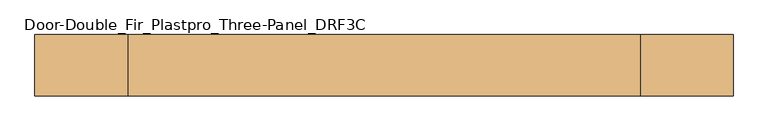
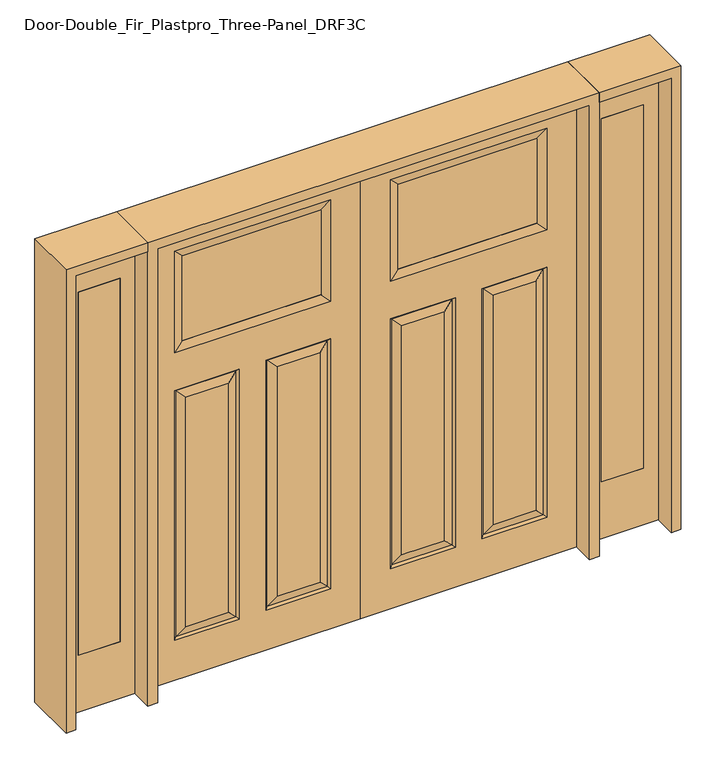
"""IFC4 building model written with IfcOpenShell, lengths in millimetres: door geometry, Door-Double_Fir_Plastpro_Three-Panel_DRF3C."""

from ifc_helpers import new_model, si_unit, frame, origin, place, context, project, spatial, polyline, outline, extrude, faceted_brep, source, transform, mapped, element, save


def door_double_fir_plastpro_three_panel_drf3c_fc949b16(model_context):
    return source(origin(), model_context, "Body", "SolidModel", [
        faceted_brep([(914.4, -20.6375, 2032.0), (914.4, -20.6375, 0.0), (914.4, 20.6375, 0.0), (914.4, 20.6375, 2032.0), (0.0, 20.6375, 0.0), (0.0, 20.6375, 2032.0), (126.873, 20.6375, 177.673), (400.177, 20.6375, 177.673), (400.177, 20.6375, 1295.527), (126.873, 20.6375, 1295.527), (787.5984375, 20.6375, 1463.5757812), (787.5984375, 20.6375, 1917.8984375), (126.8015625, 20.6375, 1917.8984375), (126.8015625, 20.6375, 1463.5757812), (787.527, 20.6375, 1295.527), (514.223, 20.6375, 1295.527), (514.223, 20.6375, 177.673), (787.527, 20.6375, 177.673), (741.4895, 20.6375, 223.7105), (560.2605, 20.6375, 223.7105), (560.2605, 20.6375, 1249.4895), (741.4895, 20.6375, 1249.4895), (172.9105, 20.6375, 1249.4895), (354.1395, 20.6375, 1249.4895), (354.1395, 20.6375, 223.7105), (172.9105, 20.6375, 223.7105), (778.5467439, 11.6572439, 1286.5467439), (778.5467439, 11.6572439, 186.6532561), (523.2032561, 11.6572439, 186.6532561), (391.1967439, -11.6572439, 186.6532561), (391.1967439, -11.6572439, 1286.5467439), (354.1395, -20.6375, 1249.4895), (354.1395, -20.6375, 223.7105), (560.2605, -20.6375, 223.7105), (560.2605, -20.6375, 1249.4895), (523.2032561, -11.6572439, 1286.5467439), (523.2032561, -11.6572439, 186.6532561), (778.5467439, -11.6572439, 186.6532561), (514.223, -20.6375, 177.673), (787.527, -20.6375, 177.673), (787.5984375, -20.6375, 1463.5757812), (787.5984375, -20.6375, 1917.8984375), (750.5411936, -11.6572439, 1880.8411936), (753.7161936, -12.4266566, 1880.8898438), (753.7161936, -12.4266566, 1500.584375), (750.5411936, -11.6572439, 1500.584375), (163.8588064, -11.6572439, 1500.584375), (160.6838064, -12.4266566, 1500.584375), (160.6838064, -12.4266566, 1880.8898438), (163.8588064, -11.6572439, 1880.8898438), (126.8015625, -20.6375, 1917.8984375), (126.8015625, -20.6375, 1463.5757812), (135.8532561, -11.6572439, 1286.5467439), (400.177, -20.6375, 1295.527), (126.873, -20.6375, 1295.527), (160.6838064, 12.4266566, 1880.8898438), (163.8588064, 11.6572439, 1880.8898438), (750.5411936, 11.6690335, 1880.8898438), (753.7161936, 12.4266566, 1880.8898438), (0.0, -20.6375, 0.0), (0.0, -20.6375, 2032.0), (514.223, -20.6375, 1295.527), (787.527, -20.6375, 1295.527), (400.177, -20.6375, 177.673), (126.873, -20.6375, 177.673), (172.9105, -20.6375, 223.7105), (172.9105, -20.6375, 1249.4895), (741.4895, -20.6375, 1249.4895), (741.4895, -20.6375, 223.7105), (135.8532561, 11.6572439, 186.6532561), (391.1967439, 11.6572439, 186.6532561), (135.8532561, -11.6572439, 186.6532561), (778.5467439, -11.6572439, 1286.5467439), (160.6838064, 12.4266566, 1500.584375), (163.8588064, 11.6572439, 1500.584375), (135.8532561, 11.6572439, 1286.5467439), (391.1967439, 11.6572439, 1286.5467439), (523.2032561, 11.6572439, 1286.5467439), (750.5898438, 11.6690335, 1500.584375), (753.7161936, 12.4266566, 1500.584375)], [[[0, 1, 2, 3]], [[3, 2, 4, 5], [6, 7, 8, 9], [10, 11, 12, 13], [14, 15, 16, 17]], [[18, 19, 20, 21]], [[22, 23, 24, 25]], [[26, 14, 17, 27]], [[27, 18, 21, 26]], [[27, 28, 19, 18]], [[29, 30, 31, 32]], [[33, 34, 35, 36]], [[37, 36, 38, 39]], [[40, 41, 42, 43, 44, 45]], [[46, 47, 48, 49, 50, 51]], [[52, 30, 53, 54]], [[55, 56, 57, 58, 43, 42, 49, 48]], [[51, 40, 45, 46]], [[4, 2, 1, 59]], [[5, 4, 59, 60]], [[60, 59, 1, 0], [39, 38, 61, 62], [51, 50, 41, 40], [54, 53, 63, 64]], [[65, 32, 31, 66]], [[67, 34, 33, 68]], [[5, 60, 0, 3]], [[69, 70, 7, 6]], [[71, 29, 32, 65]], [[63, 53, 30, 29]], [[37, 39, 62, 72]], [[13, 12, 56, 55, 73, 74]], [[6, 9, 75, 69]], [[70, 76, 8, 7]], [[75, 22, 25, 69]], [[25, 24, 70, 69]], [[24, 23, 76, 70]], [[17, 16, 28, 27]], [[16, 15, 77, 28]], [[28, 77, 20, 19]], [[65, 66, 52, 71]], [[52, 54, 64, 71]], [[64, 63, 29, 71]], [[72, 67, 68, 37]], [[68, 33, 36, 37]], [[36, 35, 61, 38]], [[12, 11, 57, 56]], [[78, 79, 58, 57, 11, 10]], [[49, 42, 41, 50]], [[66, 31, 30, 52]], [[9, 8, 76, 75]], [[75, 76, 23, 22]], [[58, 79, 44, 43]], [[79, 78, 74, 73, 47, 46, 45, 44]], [[48, 47, 73, 55]], [[74, 78, 10, 13]], [[72, 35, 34, 67]], [[62, 61, 35, 72]], [[26, 77, 15, 14]], [[21, 20, 77, 26]]]),
        extrude(outline(polyline([(160.6838064, -11.6572439), (160.6838064, 11.6572439), (753.7161936, 11.6572439), (753.7161936, -11.6572439), (160.6838064, -11.6572439)])), frame((0.0, 0.0, 1500.584375), z_axis=(0.0, 0.0, 1.0), x_axis=(1.0, 0.0, 0.0)), (0.0, 0.0, 1.0), 380.3054688),
        extrude(outline(polyline([(1019.175, -20.6375), (1019.175, 20.6375), (1196.975, 20.6375), (1196.975, -20.6375), (1019.175, -20.6375)])), frame((0.0, 0.0, 254.0), z_axis=(0.0, 0.0, 1.0), x_axis=(1.0, 0.0, 0.0)), (0.0, 0.0, 1.0), 1625.6),
        extrude(outline(polyline([(0.0, 1260.475), (2032.0, 1260.475), (2032.0, 955.675), (0.0, 955.675), (0.0, 1260.475)]), holes=[polyline([(1879.6, 1019.175), (1879.6, 1196.975), (254.0, 1196.975), (254.0, 1019.175), (1879.6, 1019.175)])]), frame((0.0, -20.6375, 0.0), z_axis=(0.0, 1.0, 0.0), x_axis=(0.0, 0.0, 1.0)), (0.0, 0.0, 1.0), 41.275),
        extrude(outline(polyline([(-1019.175, -20.6375), (-1196.975, -20.6375), (-1196.975, 20.6375), (-1019.175, 20.6375), (-1019.175, -20.6375)])), frame((0.0, 0.0, 254.0), z_axis=(0.0, 0.0, 1.0), x_axis=(1.0, 0.0, 0.0)), (0.0, 0.0, 1.0), 1625.6),
        extrude(outline(polyline([(0.0, -1260.475), (0.0, -955.675), (2032.0, -955.675), (2032.0, -1260.475), (0.0, -1260.475)]), holes=[polyline([(1879.6, -1019.175), (254.0, -1019.175), (254.0, -1196.975), (1879.6, -1196.975), (1879.6, -1019.175)])]), frame((0.0, -20.6375, 0.0), z_axis=(0.0, 1.0, 0.0), x_axis=(0.0, 0.0, 1.0)), (0.0, 0.0, 1.0), 41.275),
        faceted_brep([(-914.4, -20.6375, 2032.0), (-914.4, 20.6375, 2032.0), (-914.4, 20.6375, 0.0), (-914.4, -20.6375, 0.0), (-172.9105, 20.6375, 1249.4895), (-172.9105, 20.6375, 223.7105), (-354.1395, 20.6375, 223.7105), (-354.1395, 20.6375, 1249.4895), (-741.4895, 20.6375, 223.7105), (-741.4895, 20.6375, 1249.4895), (-560.2605, 20.6375, 1249.4895), (-560.2605, 20.6375, 223.7105), (0.0, 20.6375, 2032.0), (0.0, 20.6375, 0.0), (-126.873, 20.6375, 177.673), (-126.873, 20.6375, 1295.527), (-400.177, 20.6375, 1295.527), (-400.177, 20.6375, 177.673), (-787.5984375, 20.6375, 1463.5757812), (-126.8015625, 20.6375, 1463.5757812), (-126.8015625, 20.6375, 1917.8984375), (-787.5984375, 20.6375, 1917.8984375), (-787.527, 20.6375, 1295.527), (-787.527, 20.6375, 177.673), (-514.223, 20.6375, 177.673), (-514.223, 20.6375, 1295.527), (-778.5467439, 11.6572439, 1286.5467439), (-778.5467439, 11.6572439, 186.6532561), (-523.2032561, 11.6572439, 186.6532561), (-391.1967439, -11.6572439, 186.6532561), (-354.1395, -20.6375, 223.7105), (-354.1395, -20.6375, 1249.4895), (-391.1967439, -11.6572439, 1286.5467439), (-560.2605, -20.6375, 223.7105), (-523.2032561, -11.6572439, 186.6532561), (-523.2032561, -11.6572439, 1286.5467439), (-560.2605, -20.6375, 1249.4895), (-778.5467439, -11.6572439, 186.6532561), (-787.527, -20.6375, 177.673), (-514.223, -20.6375, 177.673), (-787.5984375, -20.6375, 1463.5757812), (-750.5411936, -11.6572439, 1500.6330251), (-753.7161936, -12.4266566, 1500.584375), (-753.7161936, -12.4266566, 1880.8898438), (-750.5411936, -11.6572439, 1880.8898438), (-787.5984375, -20.6375, 1917.8984375), (-163.8588064, -11.6572439, 1500.6330251), (-126.8015625, -20.6375, 1463.5757812), (-126.8015625, -20.6375, 1917.8984375), (-163.8588064, -11.6572439, 1880.8411936), (-160.6838064, -12.4266566, 1880.8898438), (-160.6838064, -12.4266566, 1500.584375), (-135.8532561, -11.6572439, 1286.5467439), (-126.873, -20.6375, 1295.527), (-400.177, -20.6375, 1295.527), (-160.6838064, 12.4266566, 1880.8898438), (-753.7161936, 12.4266566, 1880.8898438), (-750.5411936, 11.6572439, 1880.8898438), (-163.8588064, 11.6690335, 1880.8898438), (0.0, -20.6375, 0.0), (0.0, -20.6375, 2032.0), (-172.9105, -20.6375, 223.7105), (-172.9105, -20.6375, 1249.4895), (-741.4895, -20.6375, 1249.4895), (-741.4895, -20.6375, 223.7105), (-787.527, -20.6375, 1295.527), (-514.223, -20.6375, 1295.527), (-126.873, -20.6375, 177.673), (-400.177, -20.6375, 177.673), (-135.8532561, 11.6572439, 186.6532561), (-391.1967439, 11.6572439, 186.6532561), (-135.8532561, -11.6572439, 186.6532561), (-778.5467439, -11.6572439, 1286.5467439), (-163.8588064, 11.6572439, 1500.6330251), (-160.6838064, 12.4266566, 1500.584375), (-135.8532561, 11.6572439, 1286.5467439), (-391.1967439, 11.6572439, 1286.5467439), (-523.2032561, 11.6572439, 1286.5467439), (-750.5411936, 11.6572439, 1500.6330251), (-753.7161936, 12.4266566, 1500.584375)], [[[0, 1, 2, 3]], [[4, 5, 6, 7]], [[8, 9, 10, 11]], [[1, 12, 13, 2], [14, 15, 16, 17], [18, 19, 20, 21], [22, 23, 24, 25]], [[26, 27, 23, 22]], [[27, 26, 9, 8]], [[27, 8, 11, 28]], [[29, 30, 31, 32]], [[33, 34, 35, 36]], [[37, 38, 39, 34]], [[40, 41, 42, 43, 44, 45]], [[46, 47, 48, 49, 50, 51]], [[52, 53, 54, 32]], [[55, 50, 49, 44, 43, 56, 57, 58]], [[47, 46, 41, 40]], [[13, 59, 3, 2]], [[12, 60, 59, 13]], [[61, 62, 31, 30]], [[63, 64, 33, 36]], [[60, 0, 3, 59], [38, 65, 66, 39], [47, 40, 45, 48], [53, 67, 68, 54]], [[12, 1, 0, 60]], [[69, 14, 17, 70]], [[71, 61, 30, 29]], [[68, 29, 32, 54]], [[37, 72, 65, 38]], [[19, 73, 74, 55, 58, 20]], [[14, 69, 75, 15]], [[70, 17, 16, 76]], [[75, 69, 5, 4]], [[5, 69, 70, 6]], [[6, 70, 76, 7]], [[23, 27, 28, 24]], [[24, 28, 77, 25]], [[28, 11, 10, 77]], [[61, 71, 52, 62]], [[52, 71, 67, 53]], [[67, 71, 29, 68]], [[72, 37, 64, 63]], [[64, 37, 34, 33]], [[34, 39, 66, 35]], [[20, 58, 57, 21]], [[78, 18, 21, 57, 56, 79]], [[49, 48, 45, 44]], [[62, 52, 32, 31]], [[15, 75, 76, 16]], [[75, 4, 7, 76]], [[56, 43, 42, 79]], [[79, 42, 41, 46, 51, 74, 73, 78]], [[50, 55, 74, 51]], [[73, 19, 18, 78]], [[72, 63, 36, 35]], [[65, 72, 35, 66]], [[26, 22, 25, 77]], [[9, 26, 77, 10]]]),
        extrude(outline(polyline([(-160.6838064, -11.6572439), (-753.7161936, -11.6572439), (-753.7161936, 11.6572439), (-160.6838064, 11.6572439), (-160.6838064, -11.6572439)])), frame((0.0, 0.0, 1500.584375), z_axis=(0.0, 0.0, 1.0), x_axis=(1.0, 0.0, 0.0)), (0.0, 0.0, 1.0), 380.3054688),
        extrude(outline(polyline([(2032.0, -955.675), (2073.275, -955.675), (2073.275, -1301.75), (0.0, -1301.75), (0.0, -1260.475), (2032.0, -1260.475), (2032.0, -955.675)])), frame((0.0, -114.3, 0.0), z_axis=(0.0, 1.0, 0.0), x_axis=(0.0, 0.0, 1.0)), (0.0, 0.0, 1.0), 228.6),
        extrude(outline(polyline([(2073.275, -955.675), (0.0, -955.675), (0.0, -914.4), (2032.0, -914.4), (2032.0, 914.4), (0.0, 914.4), (0.0, 955.675), (2073.275, 955.675), (2073.275, -955.675)])), frame((0.0, -114.3, 0.0), z_axis=(0.0, 1.0, 0.0), x_axis=(0.0, 0.0, 1.0)), (0.0, 0.0, 1.0), 228.6),
        extrude(outline(polyline([(0.0, 1260.475), (0.0, 1301.75), (2073.275, 1301.75), (2073.275, 955.675), (2032.0, 955.675), (2032.0, 1260.475), (0.0, 1260.475)])), frame((0.0, -114.3, 0.0), z_axis=(0.0, 1.0, 0.0), x_axis=(0.0, 0.0, 1.0)), (0.0, 0.0, 1.0), 228.6),
    ])


if __name__ == "__main__":
    model = new_model("IFC4")
    model_context = context("Model", 3, world=origin())
    ifc_project = project(units=[si_unit("LENGTHUNIT", "METRE", prefix="MILLI")], contexts=[model_context])
    site = spatial("IfcSite", under=ifc_project)
    building = spatial("IfcBuilding", under=site)
    placement = place(None, origin())
    door_double_fir_plastpro_three_panel_drf3c_shape = door_double_fir_plastpro_three_panel_drf3c_fc949b16(model_context)
    element("IfcDoor", 1, ObjectType="Door-Double_Fir_Plastpro_Three-Panel_DRF3C", at=placement, inside=building, context=model_context, shape_type="MappedRepresentation", body=[
        mapped(door_double_fir_plastpro_three_panel_drf3c_shape, transform((0.0, 0.0, 0.0), x_axis=(1.0, 0.0, 0.0), y_axis=(0.0, 1.0, 0.0), z_axis=(0.0, 0.0, 1.0))),
    ])
    save(model, "model.ifc")
